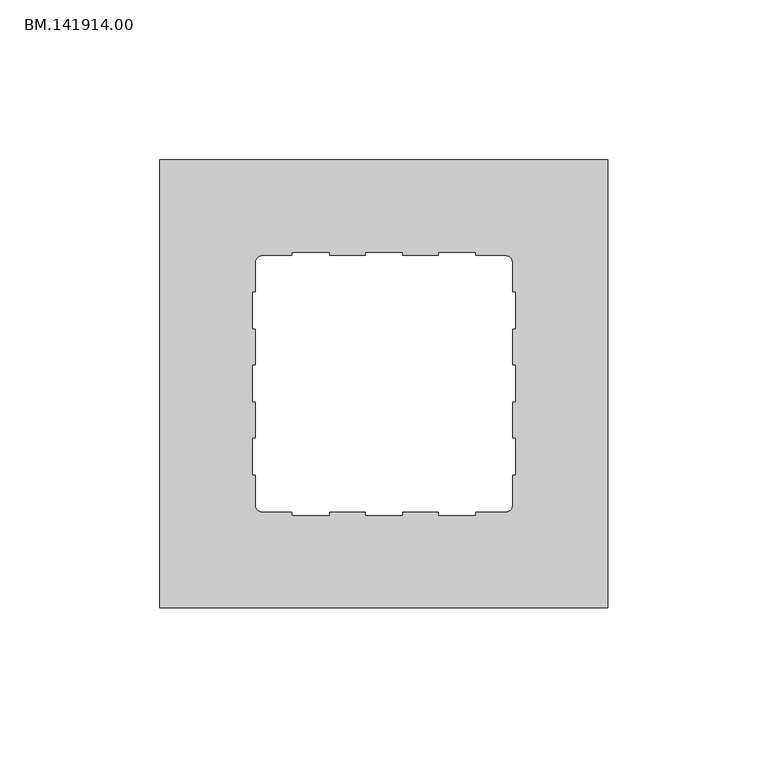
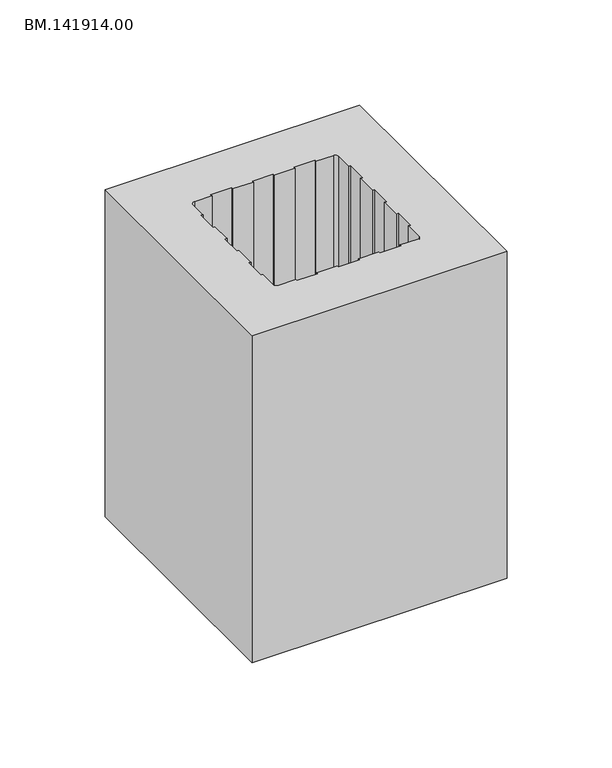
"""IFC4 building model written with IfcOpenShell, lengths in millimetres: proxy geometry, BM.141914.00."""

from ifc_helpers import new_model, si_unit, point, frame_2d, origin, origin_with_axes, place, context, project, spatial, polyline, circle_curve, trimmed, segment, composite_curve, outline, extrude, source, transform, mapped, element, save


def bm_141914_00_3bf410cc(model_context):
    return source(origin(), model_context, "Body", "SweptSolid", [
        extrude(outline(polyline([(145.0, 70.0050293), (145.0, -70.0050293), (5.0, -70.0050293), (5.0, 70.0050293), (145.0, 70.0050293)]), holes=[composite_curve([segment(polyline([(103.6046512, 40.0), (103.6046512, 41.0), (92.1627907, 41.0), (92.1627907, 40.0), (80.7209302, 40.0), (80.7209302, 41.0), (69.2790698, 41.0), (69.2790698, 40.0), (57.8372093, 40.0), (57.8372093, 41.0), (46.3953488, 41.0), (46.3953488, 40.0), (36.8604651, 40.0)]), True, "CONTINUOUS"), segment(trimmed(circle_curve(frame_2d((36.8604651, 38.0930233)), 1.9069767), [point((36.8604651, 40.0))], [point((34.9534884, 38.0930233))], True, "CARTESIAN"), True, "CONTINUOUS"), segment(polyline([(34.9534884, 38.0930233), (34.9534884, 28.6), (34.0, 28.6), (34.0, 17.2), (34.9534884, 17.2), (34.9534884, 5.8), (34.0, 5.8), (34.0, -5.6), (34.9534884, -5.6), (34.9534884, -17.0), (34.0, -17.0), (34.0, -28.4), (34.9534884, -28.4), (34.9534884, -38.0930233)]), True, "CONTINUOUS"), segment(trimmed(circle_curve(frame_2d((36.8604651, -38.0930233)), 1.9069767), [point((34.9534884, -38.0930233))], [point((36.8604651, -40.0))], True, "CARTESIAN"), True, "CONTINUOUS"), segment(polyline([(36.8604651, -40.0), (46.3953488, -40.0), (46.3953488, -41.0), (57.8372093, -41.0), (57.8372093, -40.0), (69.2790698, -40.0), (69.2790698, -41.0), (80.7209302, -41.0), (80.7209302, -40.0), (92.1627907, -40.0), (92.1627907, -41.0), (103.6046512, -41.0), (103.6046512, -40.0), (113.1395349, -40.0)]), True, "CONTINUOUS"), segment(trimmed(circle_curve(frame_2d((113.1395349, -38.0930233)), 1.9069767), [point((113.1395349, -40.0))], [point((115.0465116, -38.0930233))], True, "CARTESIAN"), True, "CONTINUOUS"), segment(polyline([(115.0465116, -38.0930233), (115.0465116, -28.4), (116.0, -28.4), (116.0, -17.0), (115.0465116, -17.0), (115.0465116, -5.6), (116.0, -5.6), (116.0, 5.8), (115.0465116, 5.8), (115.0465116, 17.2), (116.0, 17.2), (116.0, 28.6), (115.0465116, 28.6), (115.0465116, 38.0930233)]), True, "CONTINUOUS"), segment(trimmed(circle_curve(frame_2d((113.1395349, 38.0930233)), 1.9069767), [point((115.0465116, 38.0930233))], [point((113.1395349, 40.0))], True, "CARTESIAN"), True, "CONTINUOUS"), segment(polyline([(113.1395349, 40.0), (103.6046512, 40.0)]), True, "CONTINUOUS")], self_intersect=False)]), origin_with_axes(), (0.0, 0.0, 1.0), 190.0),
    ])


if __name__ == "__main__":
    model = new_model("IFC4")
    model_context = context("Model", 3, world=origin())
    ifc_project = project(units=[si_unit("LENGTHUNIT", "METRE", prefix="MILLI")], contexts=[model_context])
    site = spatial("IfcSite", under=ifc_project)
    building = spatial("IfcBuilding", under=site)
    placement = place(None, origin())
    bm_141914_00_shape = bm_141914_00_3bf410cc(model_context)
    element("IfcBuildingElementProxy", 1, Name="BM.141914.00", ObjectType="BM.141914.00", at=placement, inside=building, context=model_context, shape_type="MappedRepresentation", body=[
        mapped(bm_141914_00_shape, transform((0.0, 0.0, 0.0), x_axis=(1.0, 0.0, 0.0), y_axis=(0.0, 1.0, 0.0), z_axis=(0.0, 0.0, 1.0))),
    ])
    save(model, "model.ifc")
